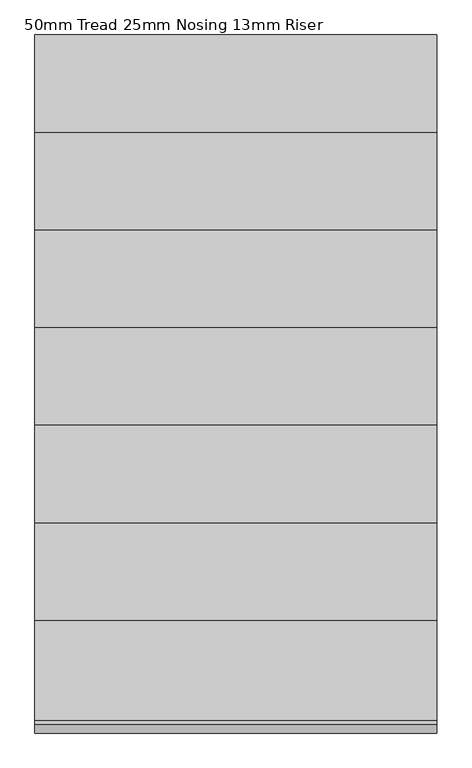
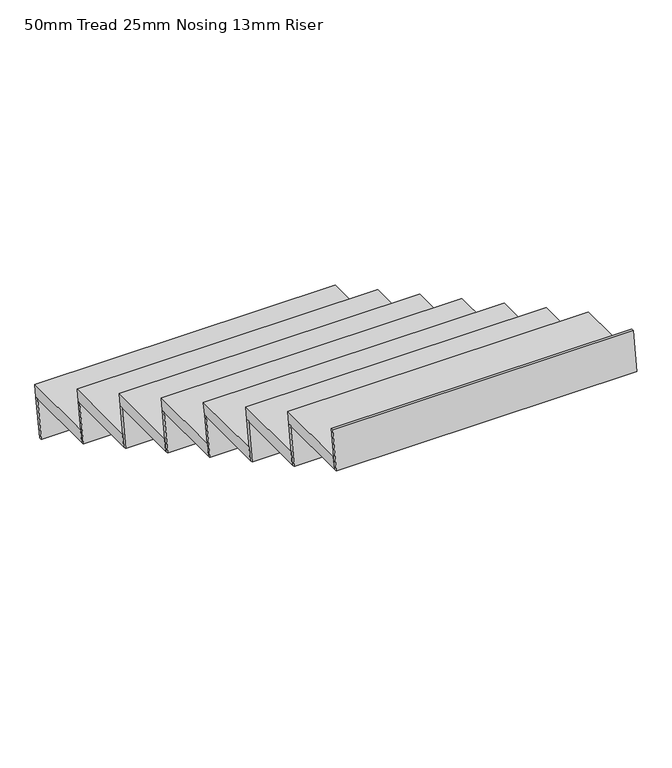
"""IFC4 building model written with IfcOpenShell, lengths in millimetres: stair flight geometry, 50mm Tread 25mm Nosing 13mm Riser."""

from ifc_helpers import new_model, si_unit, frame, origin, place, context, project, spatial, polyline, outline, extrude, source, transform, mapped, element, save


def stair_flight_50mm_tread_25mm_nosing_13mm_riser_ef4961f4(model_context):
    return source(origin(), model_context, "Body", "SweptSolid", [
        extrude(outline(polyline([(13446.9510942, 1462.5), (13771.9510942, 1462.5), (13764.2587865, 1412.5), (13439.2587865, 1412.5), (13446.9510942, 1462.5)])), frame((-21690.9759967, 0.0, 0.0), z_axis=(1.0, 0.0, 0.0), x_axis=(0.0, 1.0, 0.0)), (0.0, 0.0, 1.0), 1235.2),
        extrude(outline(polyline([(13764.2587865, 1412.5), (13739.2587865, 1250.0), (13726.6117227, 1250.0), (13751.6117227, 1412.5), (13764.2587865, 1412.5)])), frame((-21690.9759967, 0.0, 0.0), z_axis=(1.0, 0.0, 0.0), x_axis=(0.0, 1.0, 0.0)), (0.0, 0.0, 1.0), 1235.2),
        extrude(outline(polyline([(13464.2587865, 1575.0), (13439.2587865, 1412.5), (13426.6117227, 1412.5), (13451.6117227, 1575.0), (13464.2587865, 1575.0)])), frame((-21690.9759967, 0.0, 0.0), z_axis=(1.0, 0.0, 0.0), x_axis=(0.0, 1.0, 0.0)), (0.0, 0.0, 1.0), 1235.2),
        extrude(outline(polyline([(13146.9510942, 1625.0), (13471.9510942, 1625.0), (13464.2587865, 1575.0), (13139.2587865, 1575.0), (13146.9510942, 1625.0)])), frame((-21690.9759967, 0.0, 0.0), z_axis=(1.0, 0.0, 0.0), x_axis=(0.0, 1.0, 0.0)), (0.0, 0.0, 1.0), 1235.2),
        extrude(outline(polyline([(13164.2587865, 1737.5), (13139.2587865, 1575.0), (13126.6117227, 1575.0), (13151.6117227, 1737.5), (13164.2587865, 1737.5)])), frame((-21690.9759967, 0.0, 0.0), z_axis=(1.0, 0.0, 0.0), x_axis=(0.0, 1.0, 0.0)), (0.0, 0.0, 1.0), 1235.2),
        extrude(outline(polyline([(12846.9510942, 1787.5), (13171.9510942, 1787.5), (13164.2587865, 1737.5), (12839.2587865, 1737.5), (12846.9510942, 1787.5)])), frame((-21690.9759967, 0.0, 0.0), z_axis=(1.0, 0.0, 0.0), x_axis=(0.0, 1.0, 0.0)), (0.0, 0.0, 1.0), 1235.2),
        extrude(outline(polyline([(12864.2587865, 1900.0), (12839.2587865, 1737.5), (12826.6117227, 1737.5), (12851.6117227, 1900.0), (12864.2587865, 1900.0)])), frame((-21690.9759967, 0.0, 0.0), z_axis=(1.0, 0.0, 0.0), x_axis=(0.0, 1.0, 0.0)), (0.0, 0.0, 1.0), 1235.2),
        extrude(outline(polyline([(12546.9510942, 1950.0), (12871.9510942, 1950.0), (12864.2587865, 1900.0), (12539.2587865, 1900.0), (12546.9510942, 1950.0)])), frame((-21690.9759967, 0.0, 0.0), z_axis=(1.0, 0.0, 0.0), x_axis=(0.0, 1.0, 0.0)), (0.0, 0.0, 1.0), 1235.2),
        extrude(outline(polyline([(12564.2587865, 2062.5), (12539.2587865, 1900.0), (12526.6117227, 1900.0), (12551.6117227, 2062.5), (12564.2587865, 2062.5)])), frame((-21690.9759967, 0.0, 0.0), z_axis=(1.0, 0.0, 0.0), x_axis=(0.0, 1.0, 0.0)), (0.0, 0.0, 1.0), 1235.2),
        extrude(outline(polyline([(12246.9510942, 2112.5), (12571.9510942, 2112.5), (12564.2587865, 2062.5), (12239.2587865, 2062.5), (12246.9510942, 2112.5)])), frame((-21690.9759967, 0.0, 0.0), z_axis=(1.0, 0.0, 0.0), x_axis=(0.0, 1.0, 0.0)), (0.0, 0.0, 1.0), 1235.2),
        extrude(outline(polyline([(12264.2587865, 2225.0), (12239.2587865, 2062.5), (12226.6117227, 2062.5), (12251.6117227, 2225.0), (12264.2587865, 2225.0)])), frame((-21690.9759967, 0.0, 0.0), z_axis=(1.0, 0.0, 0.0), x_axis=(0.0, 1.0, 0.0)), (0.0, 0.0, 1.0), 1235.2),
        extrude(outline(polyline([(11946.9510942, 2275.0), (12271.9510942, 2275.0), (12264.2587865, 2225.0), (11939.2587865, 2225.0), (11946.9510942, 2275.0)])), frame((-21690.9759967, 0.0, 0.0), z_axis=(1.0, 0.0, 0.0), x_axis=(0.0, 1.0, 0.0)), (0.0, 0.0, 1.0), 1235.2),
        extrude(outline(polyline([(11964.2587865, 2387.5), (11939.2587865, 2225.0), (11926.6117227, 2225.0), (11951.6117227, 2387.5), (11964.2587865, 2387.5)])), frame((-21690.9759967, 0.0, 0.0), z_axis=(1.0, 0.0, 0.0), x_axis=(0.0, 1.0, 0.0)), (0.0, 0.0, 1.0), 1235.2),
        extrude(outline(polyline([(11664.2587865, 2550.0), (11639.2587865, 2387.5), (11626.6117227, 2387.5), (11651.6117227, 2550.0), (11664.2587865, 2550.0)])), frame((-21690.9759967, 0.0, 0.0), z_axis=(1.0, 0.0, 0.0), x_axis=(0.0, 1.0, 0.0)), (0.0, 0.0, 1.0), 1235.2),
        extrude(outline(polyline([(11646.9510942, 2437.5), (11971.9510942, 2437.5), (11964.2587865, 2387.5), (11639.2587865, 2387.5), (11646.9510942, 2437.5)])), frame((-21690.9759967, 0.0, 0.0), z_axis=(1.0, 0.0, 0.0), x_axis=(0.0, 1.0, 0.0)), (0.0, 0.0, 1.0), 1235.2),
    ])


if __name__ == "__main__":
    model = new_model("IFC4")
    model_context = context("Model", 3, world=origin())
    ifc_project = project(units=[si_unit("LENGTHUNIT", "METRE", prefix="MILLI")], contexts=[model_context])
    site = spatial("IfcSite", under=ifc_project)
    building = spatial("IfcBuilding", under=site)
    placement = place(None, origin())
    stair_flight_50mm_tread_25mm_nosing_13mm_riser_shape = stair_flight_50mm_tread_25mm_nosing_13mm_riser_ef4961f4(model_context)
    element("IfcStairFlight", 1, ObjectType="50mm Tread 25mm Nosing 13mm Riser", at=placement, inside=building, context=model_context, shape_type="MappedRepresentation", body=[
        mapped(stair_flight_50mm_tread_25mm_nosing_13mm_riser_shape, transform((0.0, 0.0, 0.0), x_axis=(1.0, 0.0, 0.0), y_axis=(0.0, 1.0, 0.0), z_axis=(0.0, 0.0, 1.0))),
    ])
    save(model, "model.ifc")
